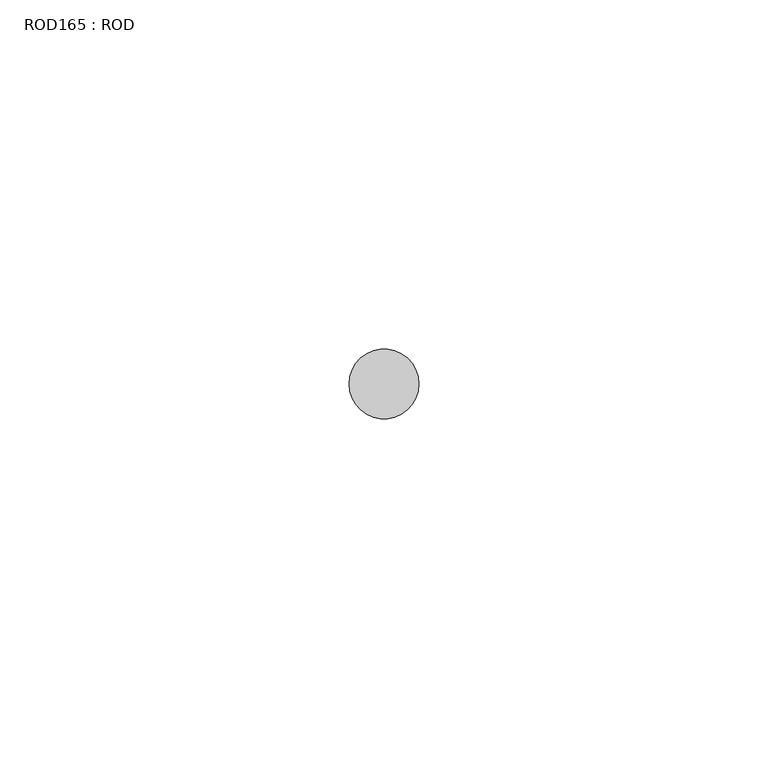
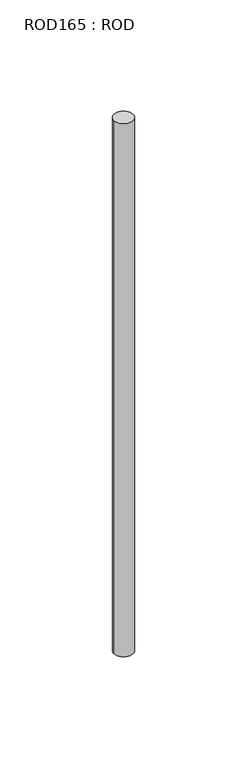
"""IFC4 building model written with IfcOpenShell, lengths in millimetres: proxy geometry, ROD165 : ROD."""

from ifc_helpers import new_model, si_unit, point, frame, frame_2d, origin, place, context, project, spatial, circle_curve, trimmed, segment, composite_curve, outline, extrude, source, transform, mapped, element, save


def rod165_rod_7a5c5982(model_context):
    return source(origin(), model_context, "Body", "SweptSolid", [
        extrude(outline(composite_curve([segment(trimmed(circle_curve(frame_2d((-3800.2326676, -25842.0031575)), 5.0), [point((-3805.2326676, -25842.0031575))], [point((-3795.2326676, -25842.0031575))], False, "CARTESIAN"), True, "CONTINUOUS"), segment(trimmed(circle_curve(frame_2d((-3800.2326676, -25842.0031575)), 5.0), [point((-3795.2326676, -25842.0031575))], [point((-3805.2326676, -25842.0031575))], False, "CARTESIAN"), True, "CONTINUOUS")], self_intersect=False)), frame((0.0, 0.0, 166.3391155), z_axis=(0.0, 0.0, 1.0), x_axis=(1.0, 0.0, 0.0)), (0.0, 0.0, 1.0), 298.9028972),
    ])


if __name__ == "__main__":
    model = new_model("IFC4")
    model_context = context("Model", 3, world=origin())
    ifc_project = project(units=[si_unit("LENGTHUNIT", "METRE", prefix="MILLI")], contexts=[model_context])
    site = spatial("IfcSite", under=ifc_project)
    building = spatial("IfcBuilding", under=site)
    placement = place(None, origin())
    rod165_rod_shape = rod165_rod_7a5c5982(model_context)
    element("IfcBuildingElementProxy", 1, Name="ROD165 : ROD", ObjectType="ROD165 : ROD", at=placement, inside=building, context=model_context, shape_type="MappedRepresentation", body=[
        mapped(rod165_rod_shape, transform((0.0, 0.0, 0.0), x_axis=(1.0, 0.0, 0.0), y_axis=(0.0, 1.0, 0.0), z_axis=(0.0, 0.0, 1.0))),
    ])
    save(model, "model.ifc")
